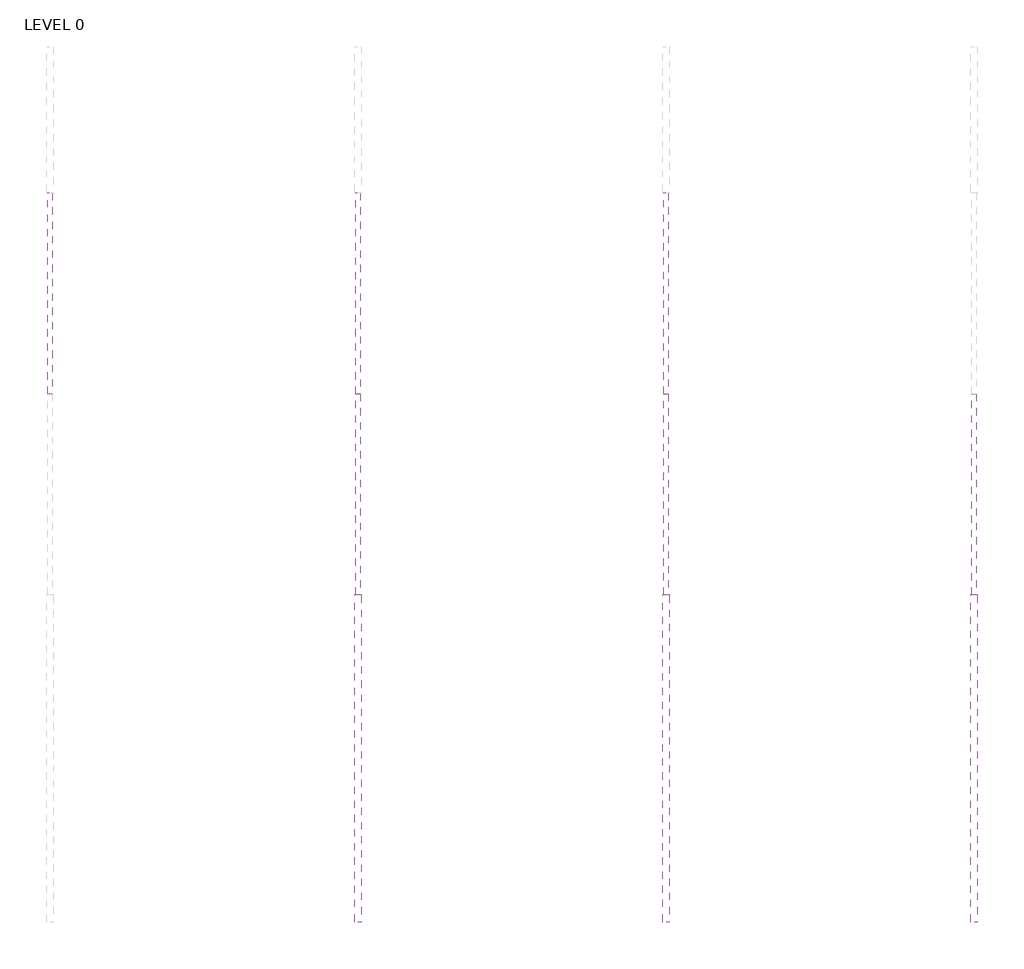
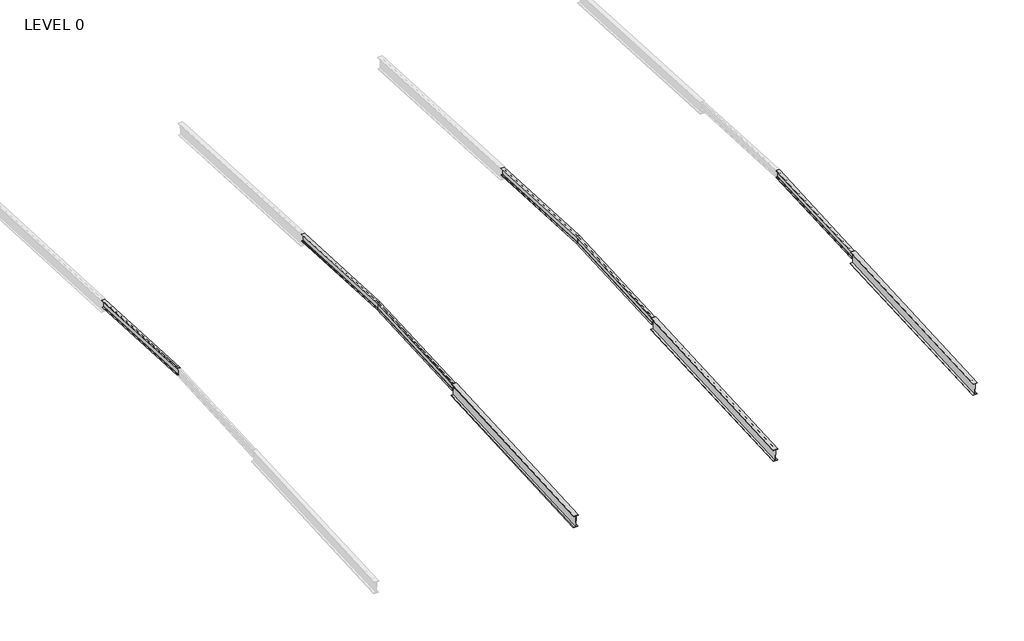
# One storey, part 9 of 11: 9 beams.
"""IFC4 building model written with IfcOpenShell, lengths in millimetres."""

from ifc_helpers import new_model, si_unit, frame, origin, place, context, project, spatial, polyline, circle_curve, ellipse_curve, outline, extrude, element, save
from ifc_brep_helpers import plane_surface, revolved_surface, advanced_brep

model = new_model("IFC4")

# Units and contexts
model_context = context("Model", 3, world=origin())
ifc_project = project(units=[si_unit("LENGTHUNIT", "METRE", prefix="MILLI")], contexts=[model_context])

# Site, building, storey
site = spatial("IfcSite", under=ifc_project)
building = spatial("IfcBuilding", under=site)
storey = spatial("IfcBuildingStorey", under=building, Name="LEVEL 0", Elevation=0.0)

# Beams
placement = place(None, origin())
element("IfcBeam", 1, ObjectType="R11-410UB53.7", at=placement, inside=storey, context=model_context, shape_type="AdvancedBrep", body=[
    advanced_brep(
    [(-104630.0885398, 51070.0, 61105.8171698), (-104630.0885398, 58439.7408844, 60719.5854162), (-104641.4885398, 58439.1442545, 60708.2010395), (-104641.4885398, 51070.0, 61094.4015251), (-104630.0885398, 51070.0, 61464.3084697), (-104630.0885398, 58458.4771568, 61077.0947896), (-104641.4885398, 51070.0, 61475.7241144), (-104641.4885398, 58459.0737867, 61088.4791663), (-104715.2885398, 51070.0, 61475.7241144), (-104715.2885398, 58459.0737867, 61088.4791663), (-104715.2885398, 51070.0, 61486.639073), (-104715.2885398, 58459.6442486, 61099.3642282), (-104537.2885398, 51070.0, 61486.639073), (-104537.2885398, 58459.6442486, 61099.3642282), (-104537.2885398, 51070.0, 61475.7241144), (-104537.2885398, 58459.0737867, 61088.4791663), (-104715.2885398, 58439.1442545, 60708.2010395), (-104611.0885398, 58459.0737867, 61088.4791663), (-104622.4885398, 58458.4771568, 61077.0947896), (-104622.4885398, 58439.7408844, 60719.5854162), (-104611.0885398, 58439.1442545, 60708.2010395), (-104537.2885398, 58439.1442545, 60708.2010395), (-104537.2885398, 58438.5737926, 60697.3159776), (-104715.2885398, 58438.5737926, 60697.3159776), (-104715.2885398, 51070.0, 61094.4015251), (-104611.0885398, 51070.0, 61475.7241144), (-104622.4885398, 51070.0, 61464.3084697), (-104622.4885398, 51070.0, 61105.8171698), (-104611.0885398, 51070.0, 61094.4015251), (-104537.2885398, 51070.0, 61094.4015251), (-104537.2885398, 51070.0, 61083.4865665), (-104715.2885398, 51070.0, 61083.4865665)],
    [
        (0, 1),
        (1, 2, circle_curve(frame((-104641.4885398, 58439.7408844, 60719.5854162), z_axis=(0.0, 0.9986295347545777, -0.05233595624287165), x_axis=(1.0, 0.0, 0.0)), 11.4)),
        (2, 3),
        (3, 0, ellipse_curve(frame((-104641.4885398, 51070.0, 61105.8171698), z_axis=(0.0, -1.0, 0.0), x_axis=(0.0, 0.0, -1.0)), 11.4156447, 11.4)),
        (4, 5),
        (5, 1),
        (0, 4),
        (6, 7),
        (7, 5, circle_curve(frame((-104641.4885398, 58458.4771568, 61077.0947896), z_axis=(0.0, 0.9986295347545777, -0.05233595624287165), x_axis=(1.0, 0.0, 0.0)), 11.4)),
        (4, 6, ellipse_curve(frame((-104641.4885398, 51070.0, 61464.3084697), z_axis=(0.0, -1.0, 0.0), x_axis=(0.0, 0.0, -1.0)), 11.4156447, 11.4)),
        (8, 9),
        (9, 7),
        (6, 8),
        (10, 11),
        (11, 9),
        (8, 10),
        (12, 13),
        (13, 11),
        (10, 12),
        (14, 15),
        (15, 13),
        (12, 14),
        (16, 2),
        (15, 17),
        (17, 18, circle_curve(frame((-104611.0885398, 58458.4771568, 61077.0947896), z_axis=(0.0, -0.9986295347545777, 0.05233595624287165), x_axis=(1.0, 0.0, 0.0)), 11.4)),
        (18, 19),
        (19, 20, circle_curve(frame((-104611.0885398, 58439.7408844, 60719.5854162), z_axis=(0.0, -0.9986295347545777, 0.05233595624287165), x_axis=(1.0, 0.0, 0.0)), 11.4)),
        (20, 21),
        (21, 22),
        (22, 23),
        (23, 16),
        (16, 24),
        (24, 3),
        (25, 17),
        (14, 25),
        (26, 18),
        (25, 26, ellipse_curve(frame((-104611.0885398, 51070.0, 61464.3084697), z_axis=(0.0, -1.0, 0.0), x_axis=(0.0, 0.0, -1.0)), 11.4156447, 11.4)),
        (27, 19),
        (26, 27),
        (28, 20),
        (27, 28, ellipse_curve(frame((-104611.0885398, 51070.0, 61105.8171698), z_axis=(0.0, -1.0, 0.0), x_axis=(0.0, 0.0, -1.0)), 11.4156447, 11.4)),
        (29, 21),
        (28, 29),
        (30, 22),
        (29, 30),
        (31, 23),
        (30, 31),
        (31, 24),
    ],
    [
        revolved_surface(polyline([(-104630.08853980001, 58439.74088439836, 60719.585416142516), (-104630.08853980001, 51069.40337010035, 61105.84843783283)]), (-104641.4885398, 51119.7863947, 61103.2079754), (0.0, 0.9986295347545777, -0.05233595624287165)),
        plane_surface(frame((-104630.0885398, 51119.7863947, 61103.2079754), z_axis=(-1.0, 0.0, 0.0), x_axis=(0.0, 0.9986295347545777, -0.05233595624287165))),
        revolved_surface(polyline([(-104630.08853980001, 58458.47715680194, 61077.09478963708), (-104630.08853980001, 51069.40337010157, 61464.33973775605)]), (-104641.4885398, 51138.522667, 61460.7173489), (0.0, 0.9986295347545777, -0.05233595624287165)),
        plane_surface(frame((-104641.4885398, 51139.1192969, 61472.1017256), z_axis=(0.0, -0.05233595624287165, -0.9986295347545777), x_axis=(0.0, 0.9986295347545777, -0.05233595624287165))),
        plane_surface(frame((-104715.2885398, 51139.1192969, 61472.1017256), z_axis=(-1.0, 0.0, 0.0), x_axis=(0.0, 0.9986295347545777, -0.05233595624287165))),
        plane_surface(frame((-104715.2885398, 51139.6897588, 61482.9867875), z_axis=(0.0, 0.05233595624287165, 0.9986295347545777), x_axis=(0.0, 0.9986295347545777, -0.05233595624287165))),
        plane_surface(frame((-104537.2885398, 51139.6897588, 61482.9867875), z_axis=(1.0, 0.0, 0.0), x_axis=(0.0, 0.9986295347545777, -0.05233595624287165))),
        plane_surface(frame((-104626.2885398, 58449.1090206, 60898.3401029), z_axis=(0.0, 0.9986295347545777, -0.05233595624287208), x_axis=(0.0, 0.05233595624287208, 0.9986295347545777))),
        plane_surface(frame((-104715.2885398, 51119.1897648, 61091.8235987), z_axis=(0.0, 0.05233595624287165, 0.9986295347545777), x_axis=(0.0, 0.9986295347545777, -0.05233595624287165))),
        plane_surface(frame((-104537.2885398, 51139.1192969, 61472.1017256), z_axis=(0.0, -0.05233595624287165, -0.9986295347545777), x_axis=(0.0, 0.9986295347545777, -0.05233595624287165))),
        revolved_surface(polyline([(-104599.6885398, 58458.47715680194, 61077.09478963708), (-104599.6885398, 51069.40337010157, 61464.33973775605)]), (-104611.0885398, 51138.522667, 61460.7173489), (0.0, 0.9986295347545777, -0.05233595624287165)),
        plane_surface(frame((-104622.4885398, 51138.522667, 61460.7173489), z_axis=(1.0, 0.0, 0.0), x_axis=(0.0, 0.9986295347545777, -0.05233595624287165))),
        revolved_surface(polyline([(-104599.6885398, 58439.74088439836, 60719.585416142516), (-104599.6885398, 51069.40337010035, 61105.84843783283)]), (-104611.0885398, 51119.7863947, 61103.2079754), (0.0, 0.9986295347545777, -0.05233595624287165)),
        plane_surface(frame((-104611.0885398, 51119.1897648, 61091.8235987), z_axis=(0.0, 0.05233595624287165, 0.9986295347545777), x_axis=(0.0, 0.9986295347545777, -0.05233595624287165))),
        plane_surface(frame((-104537.2885398, 51119.1897648, 61091.8235987), z_axis=(1.0, 0.0, 0.0), x_axis=(0.0, 0.9986295347545777, -0.05233595624287165))),
        plane_surface(frame((-104537.2885398, 51118.6193029, 61080.9385368), z_axis=(0.0, -0.05233595624287165, -0.9986295347545777), x_axis=(0.0, 0.9986295347545777, -0.05233595624287165))),
        plane_surface(frame((-104715.2885398, 51118.6193029, 61080.9385368), z_axis=(-1.0, 0.0, 0.0), x_axis=(0.0, 0.9986295347545777, -0.05233595624287165))),
        plane_surface(frame((-104626.2885398, 51070.0, 61083.4865665), z_axis=(0.0, -1.0, 0.0), x_axis=(0.0, 0.0, 1.0))),
    ],
    [
        (0, [[1, 2, 3, 4]]),
        (1, [[5, 6, -1, 7]]),
        (2, [[8, 9, -5, 10]]),
        (3, [[11, 12, -8, 13]]),
        (4, [[14, 15, -11, 16]]),
        (5, [[17, 18, -14, 19]]),
        (6, [[20, 21, -17, 22]]),
        (7, [[23, -2, -6, -9, -12, -15, -18, -21, 24, 25, 26, 27, 28, 29, 30, 31]]),
        (8, [[-3, -23, 32, 33]]),
        (9, [[34, -24, -20, 35]]),
        (10, [[36, -25, -34, 37]]),
        (11, [[38, -26, -36, 39]]),
        (12, [[40, -27, -38, 41]]),
        (13, [[42, -28, -40, 43]]),
        (14, [[44, -29, -42, 45]]),
        (15, [[46, -30, -44, 47]]),
        (16, [[-32, -31, -46, 48]]),
        (17, [[-48, -47, -45, -43, -41, -39, -37, -35, -22, -19, -16, -13, -10, -7, -4, -33]]),
    ],
),
])
element("IfcBeam", 2, ObjectType="R11-410UB53.7", at=placement, inside=storey, context=model_context, shape_type="AdvancedBrep", body=[
    advanced_brep(
    [(-93330.0885398, 51070.0, 61105.8171698), (-93341.4885398, 51070.0, 61094.4015251), (-93341.4885398, 43700.7118633, 60708.1934989), (-93330.0885398, 43700.1152334, 60719.5778756), (-93330.0885398, 51070.0, 61464.3084697), (-93330.0885398, 43681.3789611, 61077.0872491), (-93341.4885398, 51070.0, 61475.7241144), (-93341.4885398, 43680.7823312, 61088.4716258), (-93415.2885398, 51070.0, 61475.7241144), (-93415.2885398, 43680.7823312, 61088.4716258), (-93415.2885398, 51070.0, 61486.639073), (-93415.2885398, 43680.2118693, 61099.3566877), (-93237.2885398, 51070.0, 61486.639073), (-93237.2885398, 43680.2118693, 61099.3566877), (-93237.2885398, 51070.0, 61475.7241144), (-93237.2885398, 43680.7823312, 61088.4716258), (-93415.2885398, 43700.7118633, 60708.1934989), (-93415.2885398, 43701.2823253, 60697.308437), (-93237.2885398, 43701.2823253, 60697.308437), (-93237.2885398, 43700.7118633, 60708.1934989), (-93311.0885398, 43700.7118633, 60708.1934989), (-93322.4885398, 43700.1152334, 60719.5778756), (-93322.4885398, 43681.3789611, 61077.0872491), (-93311.0885398, 43680.7823312, 61088.4716258), (-93415.2885398, 51070.0, 61094.4015251), (-93311.0885398, 51070.0, 61475.7241144), (-93322.4885398, 51070.0, 61464.3084697), (-93322.4885398, 51070.0, 61105.8171698), (-93311.0885398, 51070.0, 61094.4015251), (-93237.2885398, 51070.0, 61094.4015251), (-93237.2885398, 51070.0, 61083.4865665), (-93415.2885398, 51070.0, 61083.4865665)],
    [
        (0, 1, ellipse_curve(frame((-93341.4885398, 51070.0, 61105.8171698), z_axis=(0.0, 1.0, 0.0), x_axis=(0.0, 0.0, -1.0)), 11.4156447, 11.4)),
        (1, 2),
        (2, 3, circle_curve(frame((-93341.4885398, 43700.1152334, 60719.5778756), z_axis=(0.0, -0.9986295347545777, -0.052335956242871705), x_axis=(1.0, 0.0, 0.0)), 11.4)),
        (3, 0),
        (4, 0),
        (3, 5),
        (5, 4),
        (6, 4, ellipse_curve(frame((-93341.4885398, 51070.0, 61464.3084697), z_axis=(0.0, 1.0, 0.0), x_axis=(0.0, 0.0, -1.0)), 11.4156447, 11.4)),
        (5, 7, circle_curve(frame((-93341.4885398, 43681.3789611, 61077.0872491), z_axis=(0.0, -0.9986295347545777, -0.052335956242871705), x_axis=(1.0, 0.0, 0.0)), 11.4)),
        (7, 6),
        (8, 6),
        (7, 9),
        (9, 8),
        (10, 8),
        (9, 11),
        (11, 10),
        (12, 10),
        (11, 13),
        (13, 12),
        (14, 12),
        (13, 15),
        (15, 14),
        (16, 17),
        (17, 18),
        (18, 19),
        (19, 20),
        (20, 21, circle_curve(frame((-93311.0885398, 43700.1152334, 60719.5778756), z_axis=(0.0, 0.9986295347545777, 0.052335956242871705), x_axis=(1.0, 0.0, 0.0)), 11.4)),
        (21, 22),
        (22, 23, circle_curve(frame((-93311.0885398, 43681.3789611, 61077.0872491), z_axis=(0.0, 0.9986295347545777, 0.052335956242871705), x_axis=(1.0, 0.0, 0.0)), 11.4)),
        (23, 15),
        (2, 16),
        (1, 24),
        (24, 16),
        (25, 14),
        (23, 25),
        (26, 25, ellipse_curve(frame((-93311.0885398, 51070.0, 61464.3084697), z_axis=(0.0, 1.0, 0.0), x_axis=(0.0, 0.0, -1.0)), 11.4156447, 11.4)),
        (22, 26),
        (27, 26),
        (21, 27),
        (28, 27, ellipse_curve(frame((-93311.0885398, 51070.0, 61105.8171698), z_axis=(0.0, 1.0, 0.0), x_axis=(0.0, 0.0, -1.0)), 11.4156447, 11.4)),
        (20, 28),
        (29, 28),
        (19, 29),
        (30, 29),
        (18, 30),
        (31, 30),
        (17, 31),
        (24, 31),
    ],
    [
        revolved_surface(polyline([(-93330.08853980001, 43700.11523339669, 60719.57787563701), (-93330.08853980001, 51070.59662989749, 61105.848437874054)]), (-93341.4885398, 51020.0697232, 61103.2004349), (0.0, -0.9986295347545777, -0.052335956242871705)),
        plane_surface(frame((-93330.0885398, 51020.0697232, 61103.2004349), z_axis=(-1.0, 0.0, 0.0), x_axis=(0.0, -0.9986295347545777, -0.052335956242871705))),
        revolved_surface(polyline([(-93330.08853980001, 43681.378961103284, 61077.08724903736), (-93330.08853980001, 51070.5966299015, 61464.33973769755)]), (-93341.4885398, 51001.3334509, 61460.7098083), (0.0, -0.9986295347545777, -0.052335956242871705)),
        plane_surface(frame((-93341.4885398, 51000.736821, 61472.094185), z_axis=(0.0, 0.052335956242871705, -0.9986295347545777), x_axis=(0.0, -0.9986295347545777, -0.052335956242871705))),
        plane_surface(frame((-93415.2885398, 51000.736821, 61472.094185), z_axis=(-1.0, 0.0, 0.0), x_axis=(0.0, -0.9986295347545777, -0.052335956242871705))),
        plane_surface(frame((-93415.2885398, 51000.166359, 61482.979247), z_axis=(0.0, -0.052335956242871705, 0.9986295347545777), x_axis=(0.0, -0.9986295347545777, -0.052335956242871705))),
        plane_surface(frame((-93237.2885398, 51000.166359, 61482.979247), z_axis=(1.0, 0.0, 0.0), x_axis=(0.0, -0.9986295347545777, -0.052335956242871705))),
        plane_surface(frame((-93326.2885398, 43690.7470973, 60898.3325624), z_axis=(0.0, -0.9986295347545777, -0.052335956242871705), x_axis=(0.0, -0.052335956242871705, 0.9986295347545777))),
        plane_surface(frame((-93415.2885398, 51020.6663531, 61091.8160582), z_axis=(0.0, -0.052335956242871705, 0.9986295347545777), x_axis=(0.0, -0.9986295347545777, -0.052335956242871705))),
        plane_surface(frame((-93237.2885398, 51000.736821, 61472.094185), z_axis=(0.0, 0.052335956242871705, -0.9986295347545777), x_axis=(0.0, -0.9986295347545777, -0.052335956242871705))),
        revolved_surface(polyline([(-93299.6885398, 43681.378961103284, 61077.08724903736), (-93299.6885398, 51070.5966299015, 61464.33973769755)]), (-93311.0885398, 51001.3334509, 61460.7098083), (0.0, -0.9986295347545777, -0.052335956242871705)),
        plane_surface(frame((-93322.4885398, 51001.3334509, 61460.7098083), z_axis=(1.0, 0.0, 0.0), x_axis=(0.0, -0.9986295347545777, -0.052335956242871705))),
        revolved_surface(polyline([(-93299.6885398, 43700.11523339669, 60719.57787563701), (-93299.6885398, 51070.59662989749, 61105.848437874054)]), (-93311.0885398, 51020.0697232, 61103.2004349), (0.0, -0.9986295347545777, -0.052335956242871705)),
        plane_surface(frame((-93311.0885398, 51020.6663531, 61091.8160582), z_axis=(0.0, -0.052335956242871705, 0.9986295347545777), x_axis=(0.0, -0.9986295347545777, -0.052335956242871705))),
        plane_surface(frame((-93237.2885398, 51020.6663531, 61091.8160582), z_axis=(1.0, 0.0, 0.0), x_axis=(0.0, -0.9986295347545777, -0.052335956242871705))),
        plane_surface(frame((-93237.2885398, 51021.236815, 61080.9309963), z_axis=(0.0, 0.052335956242871705, -0.9986295347545777), x_axis=(0.0, -0.9986295347545777, -0.052335956242871705))),
        plane_surface(frame((-93415.2885398, 51021.236815, 61080.9309963), z_axis=(-1.0, 0.0, 0.0), x_axis=(0.0, -0.9986295347545777, -0.052335956242871705))),
        plane_surface(frame((-93326.2885398, 51070.0, 61083.4865665), z_axis=(0.0, 1.0, 0.0), x_axis=(0.0, 0.0, -1.0))),
    ],
    [
        (0, [[1, 2, 3, 4]]),
        (1, [[5, -4, 6, 7]]),
        (2, [[8, -7, 9, 10]]),
        (3, [[11, -10, 12, 13]]),
        (4, [[14, -13, 15, 16]]),
        (5, [[17, -16, 18, 19]]),
        (6, [[20, -19, 21, 22]]),
        (7, [[23, 24, 25, 26, 27, 28, 29, 30, -21, -18, -15, -12, -9, -6, -3, 31]]),
        (8, [[32, 33, -31, -2]]),
        (9, [[34, -22, -30, 35]]),
        (10, [[36, -35, -29, 37]]),
        (11, [[38, -37, -28, 39]]),
        (12, [[40, -39, -27, 41]]),
        (13, [[42, -41, -26, 43]]),
        (14, [[44, -43, -25, 45]]),
        (15, [[46, -45, -24, 47]]),
        (16, [[48, -47, -23, -33]]),
        (17, [[-32, -1, -5, -8, -11, -14, -17, -20, -34, -36, -38, -40, -42, -44, -46, -48]]),
    ],
),
])
element("IfcBeam", 3, ObjectType="R11-410UB53.7", at=placement, inside=storey, context=model_context, shape_type="AdvancedBrep", body=[
    advanced_brep(
    [(-93330.0885398, 51070.0, 61105.8171698), (-93330.0885398, 58439.7408844, 60719.5854162), (-93341.4885398, 58439.1442545, 60708.2010395), (-93341.4885398, 51070.0, 61094.4015251), (-93330.0885398, 51070.0, 61464.3084697), (-93330.0885398, 58458.4771568, 61077.0947896), (-93341.4885398, 51070.0, 61475.7241144), (-93341.4885398, 58459.0737867, 61088.4791663), (-93415.2885398, 51070.0, 61475.7241144), (-93415.2885398, 58459.0737867, 61088.4791663), (-93415.2885398, 51070.0, 61486.639073), (-93415.2885398, 58459.6442486, 61099.3642282), (-93237.2885398, 51070.0, 61486.639073), (-93237.2885398, 58459.6442486, 61099.3642282), (-93237.2885398, 51070.0, 61475.7241144), (-93237.2885398, 58459.0737867, 61088.4791663), (-93415.2885398, 58439.1442545, 60708.2010395), (-93311.0885398, 58459.0737867, 61088.4791663), (-93322.4885398, 58458.4771568, 61077.0947896), (-93322.4885398, 58439.7408844, 60719.5854162), (-93311.0885398, 58439.1442545, 60708.2010395), (-93237.2885398, 58439.1442545, 60708.2010395), (-93237.2885398, 58438.5737926, 60697.3159776), (-93415.2885398, 58438.5737926, 60697.3159776), (-93415.2885398, 51070.0, 61094.4015251), (-93311.0885398, 51070.0, 61475.7241144), (-93322.4885398, 51070.0, 61464.3084697), (-93322.4885398, 51070.0, 61105.8171698), (-93311.0885398, 51070.0, 61094.4015251), (-93237.2885398, 51070.0, 61094.4015251), (-93237.2885398, 51070.0, 61083.4865665), (-93415.2885398, 51070.0, 61083.4865665)],
    [
        (0, 1),
        (1, 2, circle_curve(frame((-93341.4885398, 58439.7408844, 60719.5854162), z_axis=(0.0, 0.9986295347545777, -0.05233595624287165), x_axis=(1.0, 0.0, 0.0)), 11.4)),
        (2, 3),
        (3, 0, ellipse_curve(frame((-93341.4885398, 51070.0, 61105.8171698), z_axis=(0.0, -1.0, 0.0), x_axis=(0.0, 0.0, -1.0)), 11.4156447, 11.4)),
        (4, 5),
        (5, 1),
        (0, 4),
        (6, 7),
        (7, 5, circle_curve(frame((-93341.4885398, 58458.4771568, 61077.0947896), z_axis=(0.0, 0.9986295347545777, -0.05233595624287165), x_axis=(1.0, 0.0, 0.0)), 11.4)),
        (4, 6, ellipse_curve(frame((-93341.4885398, 51070.0, 61464.3084697), z_axis=(0.0, -1.0, 0.0), x_axis=(0.0, 0.0, -1.0)), 11.4156447, 11.4)),
        (8, 9),
        (9, 7),
        (6, 8),
        (10, 11),
        (11, 9),
        (8, 10),
        (12, 13),
        (13, 11),
        (10, 12),
        (14, 15),
        (15, 13),
        (12, 14),
        (16, 2),
        (15, 17),
        (17, 18, circle_curve(frame((-93311.0885398, 58458.4771568, 61077.0947896), z_axis=(0.0, -0.9986295347545777, 0.05233595624287165), x_axis=(1.0, 0.0, 0.0)), 11.4)),
        (18, 19),
        (19, 20, circle_curve(frame((-93311.0885398, 58439.7408844, 60719.5854162), z_axis=(0.0, -0.9986295347545777, 0.05233595624287165), x_axis=(1.0, 0.0, 0.0)), 11.4)),
        (20, 21),
        (21, 22),
        (22, 23),
        (23, 16),
        (16, 24),
        (24, 3),
        (25, 17),
        (14, 25),
        (26, 18),
        (25, 26, ellipse_curve(frame((-93311.0885398, 51070.0, 61464.3084697), z_axis=(0.0, -1.0, 0.0), x_axis=(0.0, 0.0, -1.0)), 11.4156447, 11.4)),
        (27, 19),
        (26, 27),
        (28, 20),
        (27, 28, ellipse_curve(frame((-93311.0885398, 51070.0, 61105.8171698), z_axis=(0.0, -1.0, 0.0), x_axis=(0.0, 0.0, -1.0)), 11.4156447, 11.4)),
        (29, 21),
        (28, 29),
        (30, 22),
        (29, 30),
        (31, 23),
        (30, 31),
        (31, 24),
    ],
    [
        revolved_surface(polyline([(-93330.08853980001, 58439.74088439836, 60719.585416142516), (-93330.08853980001, 51069.40337010035, 61105.84843783283)]), (-93341.4885398, 51119.7863947, 61103.2079754), (0.0, 0.9986295347545777, -0.05233595624287165)),
        plane_surface(frame((-93330.0885398, 51119.7863947, 61103.2079754), z_axis=(-1.0, 0.0, 0.0), x_axis=(0.0, 0.9986295347545777, -0.05233595624287165))),
        revolved_surface(polyline([(-93330.08853980001, 58458.47715680194, 61077.09478963708), (-93330.08853980001, 51069.40337010157, 61464.33973775605)]), (-93341.4885398, 51138.522667, 61460.7173489), (0.0, 0.9986295347545777, -0.05233595624287165)),
        plane_surface(frame((-93341.4885398, 51139.1192969, 61472.1017256), z_axis=(0.0, -0.05233595624287165, -0.9986295347545777), x_axis=(0.0, 0.9986295347545777, -0.05233595624287165))),
        plane_surface(frame((-93415.2885398, 51139.1192969, 61472.1017256), z_axis=(-1.0, 0.0, 0.0), x_axis=(0.0, 0.9986295347545777, -0.05233595624287165))),
        plane_surface(frame((-93415.2885398, 51139.6897588, 61482.9867875), z_axis=(0.0, 0.05233595624287165, 0.9986295347545777), x_axis=(0.0, 0.9986295347545777, -0.05233595624287165))),
        plane_surface(frame((-93237.2885398, 51139.6897588, 61482.9867875), z_axis=(1.0, 0.0, 0.0), x_axis=(0.0, 0.9986295347545777, -0.05233595624287165))),
        plane_surface(frame((-93326.2885398, 58449.1090206, 60898.3401029), z_axis=(0.0, 0.9986295347545777, -0.05233595624287208), x_axis=(0.0, 0.05233595624287208, 0.9986295347545777))),
        plane_surface(frame((-93415.2885398, 51119.1897648, 61091.8235987), z_axis=(0.0, 0.05233595624287165, 0.9986295347545777), x_axis=(0.0, 0.9986295347545777, -0.05233595624287165))),
        plane_surface(frame((-93237.2885398, 51139.1192969, 61472.1017256), z_axis=(0.0, -0.05233595624287165, -0.9986295347545777), x_axis=(0.0, 0.9986295347545777, -0.05233595624287165))),
        revolved_surface(polyline([(-93299.6885398, 58458.47715680194, 61077.09478963708), (-93299.6885398, 51069.40337010157, 61464.33973775605)]), (-93311.0885398, 51138.522667, 61460.7173489), (0.0, 0.9986295347545777, -0.05233595624287165)),
        plane_surface(frame((-93322.4885398, 51138.522667, 61460.7173489), z_axis=(1.0, 0.0, 0.0), x_axis=(0.0, 0.9986295347545777, -0.05233595624287165))),
        revolved_surface(polyline([(-93299.6885398, 58439.74088439836, 60719.585416142516), (-93299.6885398, 51069.40337010035, 61105.84843783283)]), (-93311.0885398, 51119.7863947, 61103.2079754), (0.0, 0.9986295347545777, -0.05233595624287165)),
        plane_surface(frame((-93311.0885398, 51119.1897648, 61091.8235987), z_axis=(0.0, 0.05233595624287165, 0.9986295347545777), x_axis=(0.0, 0.9986295347545777, -0.05233595624287165))),
        plane_surface(frame((-93237.2885398, 51119.1897648, 61091.8235987), z_axis=(1.0, 0.0, 0.0), x_axis=(0.0, 0.9986295347545777, -0.05233595624287165))),
        plane_surface(frame((-93237.2885398, 51118.6193029, 61080.9385368), z_axis=(0.0, -0.05233595624287165, -0.9986295347545777), x_axis=(0.0, 0.9986295347545777, -0.05233595624287165))),
        plane_surface(frame((-93415.2885398, 51118.6193029, 61080.9385368), z_axis=(-1.0, 0.0, 0.0), x_axis=(0.0, 0.9986295347545777, -0.05233595624287165))),
        plane_surface(frame((-93326.2885398, 51070.0, 61083.4865665), z_axis=(0.0, -1.0, 0.0), x_axis=(0.0, 0.0, 1.0))),
    ],
    [
        (0, [[1, 2, 3, 4]]),
        (1, [[5, 6, -1, 7]]),
        (2, [[8, 9, -5, 10]]),
        (3, [[11, 12, -8, 13]]),
        (4, [[14, 15, -11, 16]]),
        (5, [[17, 18, -14, 19]]),
        (6, [[20, 21, -17, 22]]),
        (7, [[23, -2, -6, -9, -12, -15, -18, -21, 24, 25, 26, 27, 28, 29, 30, 31]]),
        (8, [[-3, -23, 32, 33]]),
        (9, [[34, -24, -20, 35]]),
        (10, [[36, -25, -34, 37]]),
        (11, [[38, -26, -36, 39]]),
        (12, [[40, -27, -38, 41]]),
        (13, [[42, -28, -40, 43]]),
        (14, [[44, -29, -42, 45]]),
        (15, [[46, -30, -44, 47]]),
        (16, [[-32, -31, -46, 48]]),
        (17, [[-48, -47, -45, -43, -41, -39, -37, -35, -22, -19, -16, -13, -10, -7, -4, -33]]),
    ],
),
])
element("IfcBeam", 4, ObjectType="R11-410UB53.7", at=placement, inside=storey, context=model_context, shape_type="AdvancedBrep", body=[
    advanced_brep(
    [(-82030.0885398, 51070.0, 61105.8171698), (-82041.4885398, 51070.0, 61094.4015251), (-82041.4885398, 43700.7118633, 60708.1934989), (-82030.0885398, 43700.1152334, 60719.5778756), (-82030.0885398, 51070.0, 61464.3084697), (-82030.0885398, 43681.3789611, 61077.0872491), (-82041.4885398, 51070.0, 61475.7241144), (-82041.4885398, 43680.7823312, 61088.4716258), (-82115.2885398, 51070.0, 61475.7241144), (-82115.2885398, 43680.7823312, 61088.4716258), (-82115.2885398, 51070.0, 61486.639073), (-82115.2885398, 43680.2118693, 61099.3566877), (-81937.2885398, 51070.0, 61486.639073), (-81937.2885398, 43680.2118693, 61099.3566877), (-81937.2885398, 51070.0, 61475.7241144), (-81937.2885398, 43680.7823312, 61088.4716258), (-82115.2885398, 43700.7118633, 60708.1934989), (-82115.2885398, 43701.2823253, 60697.308437), (-81937.2885398, 43701.2823253, 60697.308437), (-81937.2885398, 43700.7118633, 60708.1934989), (-82011.0885398, 43700.7118633, 60708.1934989), (-82022.4885398, 43700.1152334, 60719.5778756), (-82022.4885398, 43681.3789611, 61077.0872491), (-82011.0885398, 43680.7823312, 61088.4716258), (-82115.2885398, 51070.0, 61094.4015251), (-82011.0885398, 51070.0, 61475.7241144), (-82022.4885398, 51070.0, 61464.3084697), (-82022.4885398, 51070.0, 61105.8171698), (-82011.0885398, 51070.0, 61094.4015251), (-81937.2885398, 51070.0, 61094.4015251), (-81937.2885398, 51070.0, 61083.4865665), (-82115.2885398, 51070.0, 61083.4865665)],
    [
        (0, 1, ellipse_curve(frame((-82041.4885398, 51070.0, 61105.8171698), z_axis=(0.0, 1.0, 0.0), x_axis=(0.0, 0.0, -1.0)), 11.4156447, 11.4)),
        (1, 2),
        (2, 3, circle_curve(frame((-82041.4885398, 43700.1152334, 60719.5778756), z_axis=(0.0, -0.9986295347545777, -0.052335956242871705), x_axis=(1.0, 0.0, 0.0)), 11.4)),
        (3, 0),
        (4, 0),
        (3, 5),
        (5, 4),
        (6, 4, ellipse_curve(frame((-82041.4885398, 51070.0, 61464.3084697), z_axis=(0.0, 1.0, 0.0), x_axis=(0.0, 0.0, -1.0)), 11.4156447, 11.4)),
        (5, 7, circle_curve(frame((-82041.4885398, 43681.3789611, 61077.0872491), z_axis=(0.0, -0.9986295347545777, -0.052335956242871705), x_axis=(1.0, 0.0, 0.0)), 11.4)),
        (7, 6),
        (8, 6),
        (7, 9),
        (9, 8),
        (10, 8),
        (9, 11),
        (11, 10),
        (12, 10),
        (11, 13),
        (13, 12),
        (14, 12),
        (13, 15),
        (15, 14),
        (16, 17),
        (17, 18),
        (18, 19),
        (19, 20),
        (20, 21, circle_curve(frame((-82011.0885398, 43700.1152334, 60719.5778756), z_axis=(0.0, 0.9986295347545777, 0.052335956242871705), x_axis=(1.0, 0.0, 0.0)), 11.4)),
        (21, 22),
        (22, 23, circle_curve(frame((-82011.0885398, 43681.3789611, 61077.0872491), z_axis=(0.0, 0.9986295347545777, 0.052335956242871705), x_axis=(1.0, 0.0, 0.0)), 11.4)),
        (23, 15),
        (2, 16),
        (1, 24),
        (24, 16),
        (25, 14),
        (23, 25),
        (26, 25, ellipse_curve(frame((-82011.0885398, 51070.0, 61464.3084697), z_axis=(0.0, 1.0, 0.0), x_axis=(0.0, 0.0, -1.0)), 11.4156447, 11.4)),
        (22, 26),
        (27, 26),
        (21, 27),
        (28, 27, ellipse_curve(frame((-82011.0885398, 51070.0, 61105.8171698), z_axis=(0.0, 1.0, 0.0), x_axis=(0.0, 0.0, -1.0)), 11.4156447, 11.4)),
        (20, 28),
        (29, 28),
        (19, 29),
        (30, 29),
        (18, 30),
        (31, 30),
        (17, 31),
        (24, 31),
    ],
    [
        revolved_surface(polyline([(-82030.08853980001, 43700.11523339669, 60719.57787563701), (-82030.08853980001, 51070.59662989749, 61105.848437874054)]), (-82041.4885398, 51020.0697232, 61103.2004349), (0.0, -0.9986295347545777, -0.052335956242871705)),
        plane_surface(frame((-82030.0885398, 51020.0697232, 61103.2004349), z_axis=(-1.0, 0.0, 0.0), x_axis=(0.0, -0.9986295347545777, -0.052335956242871705))),
        revolved_surface(polyline([(-82030.08853980001, 43681.378961103284, 61077.08724903736), (-82030.08853980001, 51070.5966299015, 61464.33973769755)]), (-82041.4885398, 51001.3334509, 61460.7098083), (0.0, -0.9986295347545777, -0.052335956242871705)),
        plane_surface(frame((-82041.4885398, 51000.736821, 61472.094185), z_axis=(0.0, 0.052335956242871705, -0.9986295347545777), x_axis=(0.0, -0.9986295347545777, -0.052335956242871705))),
        plane_surface(frame((-82115.2885398, 51000.736821, 61472.094185), z_axis=(-1.0, 0.0, 0.0), x_axis=(0.0, -0.9986295347545777, -0.052335956242871705))),
        plane_surface(frame((-82115.2885398, 51000.166359, 61482.979247), z_axis=(0.0, -0.052335956242871705, 0.9986295347545777), x_axis=(0.0, -0.9986295347545777, -0.052335956242871705))),
        plane_surface(frame((-81937.2885398, 51000.166359, 61482.979247), z_axis=(1.0, 0.0, 0.0), x_axis=(0.0, -0.9986295347545777, -0.052335956242871705))),
        plane_surface(frame((-82026.2885398, 43690.7470973, 60898.3325624), z_axis=(0.0, -0.9986295347545777, -0.052335956242871705), x_axis=(0.0, -0.052335956242871705, 0.9986295347545777))),
        plane_surface(frame((-82115.2885398, 51020.6663531, 61091.8160582), z_axis=(0.0, -0.052335956242871705, 0.9986295347545777), x_axis=(0.0, -0.9986295347545777, -0.052335956242871705))),
        plane_surface(frame((-81937.2885398, 51000.736821, 61472.094185), z_axis=(0.0, 0.052335956242871705, -0.9986295347545777), x_axis=(0.0, -0.9986295347545777, -0.052335956242871705))),
        revolved_surface(polyline([(-81999.6885398, 43681.378961103284, 61077.08724903736), (-81999.6885398, 51070.5966299015, 61464.33973769755)]), (-82011.0885398, 51001.3334509, 61460.7098083), (0.0, -0.9986295347545777, -0.052335956242871705)),
        plane_surface(frame((-82022.4885398, 51001.3334509, 61460.7098083), z_axis=(1.0, 0.0, 0.0), x_axis=(0.0, -0.9986295347545777, -0.052335956242871705))),
        revolved_surface(polyline([(-81999.6885398, 43700.11523339669, 60719.57787563701), (-81999.6885398, 51070.59662989749, 61105.848437874054)]), (-82011.0885398, 51020.0697232, 61103.2004349), (0.0, -0.9986295347545777, -0.052335956242871705)),
        plane_surface(frame((-82011.0885398, 51020.6663531, 61091.8160582), z_axis=(0.0, -0.052335956242871705, 0.9986295347545777), x_axis=(0.0, -0.9986295347545777, -0.052335956242871705))),
        plane_surface(frame((-81937.2885398, 51020.6663531, 61091.8160582), z_axis=(1.0, 0.0, 0.0), x_axis=(0.0, -0.9986295347545777, -0.052335956242871705))),
        plane_surface(frame((-81937.2885398, 51021.236815, 61080.9309963), z_axis=(0.0, 0.052335956242871705, -0.9986295347545777), x_axis=(0.0, -0.9986295347545777, -0.052335956242871705))),
        plane_surface(frame((-82115.2885398, 51021.236815, 61080.9309963), z_axis=(-1.0, 0.0, 0.0), x_axis=(0.0, -0.9986295347545777, -0.052335956242871705))),
        plane_surface(frame((-82026.2885398, 51070.0, 61083.4865665), z_axis=(0.0, 1.0, 0.0), x_axis=(0.0, 0.0, -1.0))),
    ],
    [
        (0, [[1, 2, 3, 4]]),
        (1, [[5, -4, 6, 7]]),
        (2, [[8, -7, 9, 10]]),
        (3, [[11, -10, 12, 13]]),
        (4, [[14, -13, 15, 16]]),
        (5, [[17, -16, 18, 19]]),
        (6, [[20, -19, 21, 22]]),
        (7, [[23, 24, 25, 26, 27, 28, 29, 30, -21, -18, -15, -12, -9, -6, -3, 31]]),
        (8, [[32, 33, -31, -2]]),
        (9, [[34, -22, -30, 35]]),
        (10, [[36, -35, -29, 37]]),
        (11, [[38, -37, -28, 39]]),
        (12, [[40, -39, -27, 41]]),
        (13, [[42, -41, -26, 43]]),
        (14, [[44, -43, -25, 45]]),
        (15, [[46, -45, -24, 47]]),
        (16, [[48, -47, -23, -33]]),
        (17, [[-32, -1, -5, -8, -11, -14, -17, -20, -34, -36, -38, -40, -42, -44, -46, -48]]),
    ],
),
])
element("IfcBeam", 5, ObjectType="R11-410UB53.7", at=placement, inside=storey, context=model_context, shape_type="AdvancedBrep", body=[
    advanced_brep(
    [(-82030.0885398, 51070.0, 61105.8171698), (-82030.0885398, 58439.7408844, 60719.5854162), (-82041.4885398, 58439.1442545, 60708.2010395), (-82041.4885398, 51070.0, 61094.4015251), (-82030.0885398, 51070.0, 61464.3084697), (-82030.0885398, 58458.4771568, 61077.0947896), (-82041.4885398, 51070.0, 61475.7241144), (-82041.4885398, 58459.0737867, 61088.4791663), (-82115.2885398, 51070.0, 61475.7241144), (-82115.2885398, 58459.0737867, 61088.4791663), (-82115.2885398, 51070.0, 61486.639073), (-82115.2885398, 58459.6442486, 61099.3642282), (-81937.2885398, 51070.0, 61486.639073), (-81937.2885398, 58459.6442486, 61099.3642282), (-81937.2885398, 51070.0, 61475.7241144), (-81937.2885398, 58459.0737867, 61088.4791663), (-82115.2885398, 58439.1442545, 60708.2010395), (-82011.0885398, 58459.0737867, 61088.4791663), (-82022.4885398, 58458.4771568, 61077.0947896), (-82022.4885398, 58439.7408844, 60719.5854162), (-82011.0885398, 58439.1442545, 60708.2010395), (-81937.2885398, 58439.1442545, 60708.2010395), (-81937.2885398, 58438.5737926, 60697.3159776), (-82115.2885398, 58438.5737926, 60697.3159776), (-82115.2885398, 51070.0, 61094.4015251), (-82011.0885398, 51070.0, 61475.7241144), (-82022.4885398, 51070.0, 61464.3084697), (-82022.4885398, 51070.0, 61105.8171698), (-82011.0885398, 51070.0, 61094.4015251), (-81937.2885398, 51070.0, 61094.4015251), (-81937.2885398, 51070.0, 61083.4865665), (-82115.2885398, 51070.0, 61083.4865665)],
    [
        (0, 1),
        (1, 2, circle_curve(frame((-82041.4885398, 58439.7408844, 60719.5854162), z_axis=(0.0, 0.9986295347545777, -0.05233595624287165), x_axis=(1.0, 0.0, 0.0)), 11.4)),
        (2, 3),
        (3, 0, ellipse_curve(frame((-82041.4885398, 51070.0, 61105.8171698), z_axis=(0.0, -1.0, 0.0), x_axis=(0.0, 0.0, -1.0)), 11.4156447, 11.4)),
        (4, 5),
        (5, 1),
        (0, 4),
        (6, 7),
        (7, 5, circle_curve(frame((-82041.4885398, 58458.4771568, 61077.0947896), z_axis=(0.0, 0.9986295347545777, -0.05233595624287165), x_axis=(1.0, 0.0, 0.0)), 11.4)),
        (4, 6, ellipse_curve(frame((-82041.4885398, 51070.0, 61464.3084697), z_axis=(0.0, -1.0, 0.0), x_axis=(0.0, 0.0, -1.0)), 11.4156447, 11.4)),
        (8, 9),
        (9, 7),
        (6, 8),
        (10, 11),
        (11, 9),
        (8, 10),
        (12, 13),
        (13, 11),
        (10, 12),
        (14, 15),
        (15, 13),
        (12, 14),
        (16, 2),
        (15, 17),
        (17, 18, circle_curve(frame((-82011.0885398, 58458.4771568, 61077.0947896), z_axis=(0.0, -0.9986295347545777, 0.05233595624287165), x_axis=(1.0, 0.0, 0.0)), 11.4)),
        (18, 19),
        (19, 20, circle_curve(frame((-82011.0885398, 58439.7408844, 60719.5854162), z_axis=(0.0, -0.9986295347545777, 0.05233595624287165), x_axis=(1.0, 0.0, 0.0)), 11.4)),
        (20, 21),
        (21, 22),
        (22, 23),
        (23, 16),
        (16, 24),
        (24, 3),
        (25, 17),
        (14, 25),
        (26, 18),
        (25, 26, ellipse_curve(frame((-82011.0885398, 51070.0, 61464.3084697), z_axis=(0.0, -1.0, 0.0), x_axis=(0.0, 0.0, -1.0)), 11.4156447, 11.4)),
        (27, 19),
        (26, 27),
        (28, 20),
        (27, 28, ellipse_curve(frame((-82011.0885398, 51070.0, 61105.8171698), z_axis=(0.0, -1.0, 0.0), x_axis=(0.0, 0.0, -1.0)), 11.4156447, 11.4)),
        (29, 21),
        (28, 29),
        (30, 22),
        (29, 30),
        (31, 23),
        (30, 31),
        (31, 24),
    ],
    [
        revolved_surface(polyline([(-82030.08853980001, 58439.74088439836, 60719.585416142516), (-82030.08853980001, 51069.40337010035, 61105.84843783283)]), (-82041.4885398, 51119.7863947, 61103.2079754), (0.0, 0.9986295347545777, -0.05233595624287165)),
        plane_surface(frame((-82030.0885398, 51119.7863947, 61103.2079754), z_axis=(-1.0, 0.0, 0.0), x_axis=(0.0, 0.9986295347545777, -0.05233595624287165))),
        revolved_surface(polyline([(-82030.08853980001, 58458.47715680194, 61077.09478963708), (-82030.08853980001, 51069.40337010157, 61464.33973775605)]), (-82041.4885398, 51138.522667, 61460.7173489), (0.0, 0.9986295347545777, -0.05233595624287165)),
        plane_surface(frame((-82041.4885398, 51139.1192969, 61472.1017256), z_axis=(0.0, -0.05233595624287165, -0.9986295347545777), x_axis=(0.0, 0.9986295347545777, -0.05233595624287165))),
        plane_surface(frame((-82115.2885398, 51139.1192969, 61472.1017256), z_axis=(-1.0, 0.0, 0.0), x_axis=(0.0, 0.9986295347545777, -0.05233595624287165))),
        plane_surface(frame((-82115.2885398, 51139.6897588, 61482.9867875), z_axis=(0.0, 0.05233595624287165, 0.9986295347545777), x_axis=(0.0, 0.9986295347545777, -0.05233595624287165))),
        plane_surface(frame((-81937.2885398, 51139.6897588, 61482.9867875), z_axis=(1.0, 0.0, 0.0), x_axis=(0.0, 0.9986295347545777, -0.05233595624287165))),
        plane_surface(frame((-82026.2885398, 58449.1090206, 60898.3401029), z_axis=(0.0, 0.9986295347545777, -0.05233595624287208), x_axis=(0.0, 0.05233595624287208, 0.9986295347545777))),
        plane_surface(frame((-82115.2885398, 51119.1897648, 61091.8235987), z_axis=(0.0, 0.05233595624287165, 0.9986295347545777), x_axis=(0.0, 0.9986295347545777, -0.05233595624287165))),
        plane_surface(frame((-81937.2885398, 51139.1192969, 61472.1017256), z_axis=(0.0, -0.05233595624287165, -0.9986295347545777), x_axis=(0.0, 0.9986295347545777, -0.05233595624287165))),
        revolved_surface(polyline([(-81999.6885398, 58458.47715680194, 61077.09478963708), (-81999.6885398, 51069.40337010157, 61464.33973775605)]), (-82011.0885398, 51138.522667, 61460.7173489), (0.0, 0.9986295347545777, -0.05233595624287165)),
        plane_surface(frame((-82022.4885398, 51138.522667, 61460.7173489), z_axis=(1.0, 0.0, 0.0), x_axis=(0.0, 0.9986295347545777, -0.05233595624287165))),
        revolved_surface(polyline([(-81999.6885398, 58439.74088439836, 60719.585416142516), (-81999.6885398, 51069.40337010035, 61105.84843783283)]), (-82011.0885398, 51119.7863947, 61103.2079754), (0.0, 0.9986295347545777, -0.05233595624287165)),
        plane_surface(frame((-82011.0885398, 51119.1897648, 61091.8235987), z_axis=(0.0, 0.05233595624287165, 0.9986295347545777), x_axis=(0.0, 0.9986295347545777, -0.05233595624287165))),
        plane_surface(frame((-81937.2885398, 51119.1897648, 61091.8235987), z_axis=(1.0, 0.0, 0.0), x_axis=(0.0, 0.9986295347545777, -0.05233595624287165))),
        plane_surface(frame((-81937.2885398, 51118.6193029, 61080.9385368), z_axis=(0.0, -0.05233595624287165, -0.9986295347545777), x_axis=(0.0, 0.9986295347545777, -0.05233595624287165))),
        plane_surface(frame((-82115.2885398, 51118.6193029, 61080.9385368), z_axis=(-1.0, 0.0, 0.0), x_axis=(0.0, 0.9986295347545777, -0.05233595624287165))),
        plane_surface(frame((-82026.2885398, 51070.0, 61083.4865665), z_axis=(0.0, -1.0, 0.0), x_axis=(0.0, 0.0, 1.0))),
    ],
    [
        (0, [[1, 2, 3, 4]]),
        (1, [[5, 6, -1, 7]]),
        (2, [[8, 9, -5, 10]]),
        (3, [[11, 12, -8, 13]]),
        (4, [[14, 15, -11, 16]]),
        (5, [[17, 18, -14, 19]]),
        (6, [[20, 21, -17, 22]]),
        (7, [[23, -2, -6, -9, -12, -15, -18, -21, 24, 25, 26, 27, 28, 29, 30, 31]]),
        (8, [[-3, -23, 32, 33]]),
        (9, [[34, -24, -20, 35]]),
        (10, [[36, -25, -34, 37]]),
        (11, [[38, -26, -36, 39]]),
        (12, [[40, -27, -38, 41]]),
        (13, [[42, -28, -40, 43]]),
        (14, [[44, -29, -42, 45]]),
        (15, [[46, -30, -44, 47]]),
        (16, [[-32, -31, -46, 48]]),
        (17, [[-48, -47, -45, -43, -41, -39, -37, -35, -22, -19, -16, -13, -10, -7, -4, -33]]),
    ],
),
])
element("IfcBeam", 6, ObjectType="R11-410UB53.7", at=placement, inside=storey, context=model_context, shape_type="AdvancedBrep", body=[
    advanced_brep(
    [(-70730.0885398, 51070.0, 61105.8171698), (-70741.4885398, 51070.0, 61094.4015251), (-70741.4885398, 43700.7118633, 60708.1934989), (-70730.0885398, 43700.1152334, 60719.5778756), (-70730.0885398, 51070.0, 61464.3084697), (-70730.0885398, 43681.3789611, 61077.0872491), (-70741.4885398, 51070.0, 61475.7241144), (-70741.4885398, 43680.7823312, 61088.4716258), (-70815.2885398, 51070.0, 61475.7241144), (-70815.2885398, 43680.7823312, 61088.4716258), (-70815.2885398, 51070.0, 61486.639073), (-70815.2885398, 43680.2118693, 61099.3566877), (-70637.2885398, 51070.0, 61486.639073), (-70637.2885398, 43680.2118693, 61099.3566877), (-70637.2885398, 51070.0, 61475.7241144), (-70637.2885398, 43680.7823312, 61088.4716258), (-70815.2885398, 43700.7118633, 60708.1934989), (-70815.2885398, 43701.2823253, 60697.308437), (-70637.2885398, 43701.2823253, 60697.308437), (-70637.2885398, 43700.7118633, 60708.1934989), (-70711.0885398, 43700.7118633, 60708.1934989), (-70722.4885398, 43700.1152334, 60719.5778756), (-70722.4885398, 43681.3789611, 61077.0872491), (-70711.0885398, 43680.7823312, 61088.4716258), (-70815.2885398, 51070.0, 61094.4015251), (-70711.0885398, 51070.0, 61475.7241144), (-70722.4885398, 51070.0, 61464.3084697), (-70722.4885398, 51070.0, 61105.8171698), (-70711.0885398, 51070.0, 61094.4015251), (-70637.2885398, 51070.0, 61094.4015251), (-70637.2885398, 51070.0, 61083.4865665), (-70815.2885398, 51070.0, 61083.4865665)],
    [
        (0, 1, ellipse_curve(frame((-70741.4885398, 51070.0, 61105.8171698), z_axis=(0.0, 1.0, 0.0), x_axis=(0.0, 0.0, -1.0)), 11.4156447, 11.4)),
        (1, 2),
        (2, 3, circle_curve(frame((-70741.4885398, 43700.1152334, 60719.5778756), z_axis=(0.0, -0.9986295347545777, -0.052335956242871705), x_axis=(1.0, 0.0, 0.0)), 11.4)),
        (3, 0),
        (4, 0),
        (3, 5),
        (5, 4),
        (6, 4, ellipse_curve(frame((-70741.4885398, 51070.0, 61464.3084697), z_axis=(0.0, 1.0, 0.0), x_axis=(0.0, 0.0, -1.0)), 11.4156447, 11.4)),
        (5, 7, circle_curve(frame((-70741.4885398, 43681.3789611, 61077.0872491), z_axis=(0.0, -0.9986295347545777, -0.052335956242871705), x_axis=(1.0, 0.0, 0.0)), 11.4)),
        (7, 6),
        (8, 6),
        (7, 9),
        (9, 8),
        (10, 8),
        (9, 11),
        (11, 10),
        (12, 10),
        (11, 13),
        (13, 12),
        (14, 12),
        (13, 15),
        (15, 14),
        (16, 17),
        (17, 18),
        (18, 19),
        (19, 20),
        (20, 21, circle_curve(frame((-70711.0885398, 43700.1152334, 60719.5778756), z_axis=(0.0, 0.9986295347545777, 0.052335956242871705), x_axis=(1.0, 0.0, 0.0)), 11.4)),
        (21, 22),
        (22, 23, circle_curve(frame((-70711.0885398, 43681.3789611, 61077.0872491), z_axis=(0.0, 0.9986295347545777, 0.052335956242871705), x_axis=(1.0, 0.0, 0.0)), 11.4)),
        (23, 15),
        (2, 16),
        (1, 24),
        (24, 16),
        (25, 14),
        (23, 25),
        (26, 25, ellipse_curve(frame((-70711.0885398, 51070.0, 61464.3084697), z_axis=(0.0, 1.0, 0.0), x_axis=(0.0, 0.0, -1.0)), 11.4156447, 11.4)),
        (22, 26),
        (27, 26),
        (21, 27),
        (28, 27, ellipse_curve(frame((-70711.0885398, 51070.0, 61105.8171698), z_axis=(0.0, 1.0, 0.0), x_axis=(0.0, 0.0, -1.0)), 11.4156447, 11.4)),
        (20, 28),
        (29, 28),
        (19, 29),
        (30, 29),
        (18, 30),
        (31, 30),
        (17, 31),
        (24, 31),
    ],
    [
        revolved_surface(polyline([(-70730.08853980001, 43700.11523339669, 60719.57787563701), (-70730.08853980001, 51070.59662989749, 61105.848437874054)]), (-70741.4885398, 51020.0697232, 61103.2004349), (0.0, -0.9986295347545777, -0.052335956242871705)),
        plane_surface(frame((-70730.0885398, 51020.0697232, 61103.2004349), z_axis=(-1.0, 0.0, 0.0), x_axis=(0.0, -0.9986295347545777, -0.052335956242871705))),
        revolved_surface(polyline([(-70730.08853980001, 43681.378961103284, 61077.08724903736), (-70730.08853980001, 51070.5966299015, 61464.33973769755)]), (-70741.4885398, 51001.3334509, 61460.7098083), (0.0, -0.9986295347545777, -0.052335956242871705)),
        plane_surface(frame((-70741.4885398, 51000.736821, 61472.094185), z_axis=(0.0, 0.052335956242871705, -0.9986295347545777), x_axis=(0.0, -0.9986295347545777, -0.052335956242871705))),
        plane_surface(frame((-70815.2885398, 51000.736821, 61472.094185), z_axis=(-1.0, 0.0, 0.0), x_axis=(0.0, -0.9986295347545777, -0.052335956242871705))),
        plane_surface(frame((-70815.2885398, 51000.166359, 61482.979247), z_axis=(0.0, -0.052335956242871705, 0.9986295347545777), x_axis=(0.0, -0.9986295347545777, -0.052335956242871705))),
        plane_surface(frame((-70637.2885398, 51000.166359, 61482.979247), z_axis=(1.0, 0.0, 0.0), x_axis=(0.0, -0.9986295347545777, -0.052335956242871705))),
        plane_surface(frame((-70726.2885398, 43690.7470973, 60898.3325624), z_axis=(0.0, -0.9986295347545777, -0.052335956242871705), x_axis=(0.0, -0.052335956242871705, 0.9986295347545777))),
        plane_surface(frame((-70815.2885398, 51020.6663531, 61091.8160582), z_axis=(0.0, -0.052335956242871705, 0.9986295347545777), x_axis=(0.0, -0.9986295347545777, -0.052335956242871705))),
        plane_surface(frame((-70637.2885398, 51000.736821, 61472.094185), z_axis=(0.0, 0.052335956242871705, -0.9986295347545777), x_axis=(0.0, -0.9986295347545777, -0.052335956242871705))),
        revolved_surface(polyline([(-70699.6885398, 43681.378961103284, 61077.08724903736), (-70699.6885398, 51070.5966299015, 61464.33973769755)]), (-70711.0885398, 51001.3334509, 61460.7098083), (0.0, -0.9986295347545777, -0.052335956242871705)),
        plane_surface(frame((-70722.4885398, 51001.3334509, 61460.7098083), z_axis=(1.0, 0.0, 0.0), x_axis=(0.0, -0.9986295347545777, -0.052335956242871705))),
        revolved_surface(polyline([(-70699.6885398, 43700.11523339669, 60719.57787563701), (-70699.6885398, 51070.59662989749, 61105.848437874054)]), (-70711.0885398, 51020.0697232, 61103.2004349), (0.0, -0.9986295347545777, -0.052335956242871705)),
        plane_surface(frame((-70711.0885398, 51020.6663531, 61091.8160582), z_axis=(0.0, -0.052335956242871705, 0.9986295347545777), x_axis=(0.0, -0.9986295347545777, -0.052335956242871705))),
        plane_surface(frame((-70637.2885398, 51020.6663531, 61091.8160582), z_axis=(1.0, 0.0, 0.0), x_axis=(0.0, -0.9986295347545777, -0.052335956242871705))),
        plane_surface(frame((-70637.2885398, 51021.236815, 61080.9309963), z_axis=(0.0, 0.052335956242871705, -0.9986295347545777), x_axis=(0.0, -0.9986295347545777, -0.052335956242871705))),
        plane_surface(frame((-70815.2885398, 51021.236815, 61080.9309963), z_axis=(-1.0, 0.0, 0.0), x_axis=(0.0, -0.9986295347545777, -0.052335956242871705))),
        plane_surface(frame((-70726.2885398, 51070.0, 61083.4865665), z_axis=(0.0, 1.0, 0.0), x_axis=(0.0, 0.0, -1.0))),
    ],
    [
        (0, [[1, 2, 3, 4]]),
        (1, [[5, -4, 6, 7]]),
        (2, [[8, -7, 9, 10]]),
        (3, [[11, -10, 12, 13]]),
        (4, [[14, -13, 15, 16]]),
        (5, [[17, -16, 18, 19]]),
        (6, [[20, -19, 21, 22]]),
        (7, [[23, 24, 25, 26, 27, 28, 29, 30, -21, -18, -15, -12, -9, -6, -3, 31]]),
        (8, [[32, 33, -31, -2]]),
        (9, [[34, -22, -30, 35]]),
        (10, [[36, -35, -29, 37]]),
        (11, [[38, -37, -28, 39]]),
        (12, [[40, -39, -27, 41]]),
        (13, [[42, -41, -26, 43]]),
        (14, [[44, -43, -25, 45]]),
        (15, [[46, -45, -24, 47]]),
        (16, [[48, -47, -23, -33]]),
        (17, [[-32, -1, -5, -8, -11, -14, -17, -20, -34, -36, -38, -40, -42, -44, -46, -48]]),
    ],
),
])
element("IfcBeam", 7, ObjectType="R3-700WB130", at=placement, inside=storey, context=model_context, shape_type="SweptSolid", body=[
    extrude(outline(polyline([(-330.0, -125.0), (-350.0, -125.0), (-350.0, 125.0), (-330.0, 125.0), (-330.0, 5.0), (329.9999999, 5.0), (329.9999999, 125.0), (349.9999999, 125.0), (349.9999999, -125.0), (329.9999999, -125.0), (329.9999999, -5.0), (-330.0, -5.0), (-330.0, -125.0)])), frame((-93326.2885398, 31695.0801803, 60120.7622304), z_axis=(0.0, 0.9986295347545777, 0.052335956242871504), x_axis=(0.0, -0.052335956242871504, 0.9986295347545777)), (0.0, 0.0, 1.0), 12000.0),
])
element("IfcBeam", 8, ObjectType="R3-700WB130", at=placement, inside=storey, context=model_context, shape_type="SweptSolid", body=[
    extrude(outline(polyline([(-330.0, -125.0), (-350.0, -125.0), (-350.0, 125.0), (-330.0, 125.0), (-330.0, 5.0), (329.9999999, 5.0), (329.9999999, 125.0), (349.9999999, 125.0), (349.9999999, -125.0), (329.9999999, -125.0), (329.9999999, -5.0), (-330.0, -5.0), (-330.0, -125.0)])), frame((-82026.2885398, 31695.0801803, 60120.7622304), z_axis=(0.0, 0.9986295347545777, 0.052335956242871504), x_axis=(0.0, -0.052335956242871504, 0.9986295347545777)), (0.0, 0.0, 1.0), 12000.0),
])
element("IfcBeam", 9, ObjectType="R3-700WB130", at=placement, inside=storey, context=model_context, shape_type="SweptSolid", body=[
    extrude(outline(polyline([(-330.0, -125.0), (-350.0, -125.0), (-350.0, 125.0), (-330.0, 125.0), (-330.0, 5.0), (329.9999999, 5.0), (329.9999999, 125.0), (349.9999999, 125.0), (349.9999999, -125.0), (329.9999999, -125.0), (329.9999999, -5.0), (-330.0, -5.0), (-330.0, -125.0)])), frame((-70726.2885398, 31695.0801803, 60120.7622304), z_axis=(0.0, 0.9986295347545777, 0.05233595624287148), x_axis=(0.0, -0.05233595624287148, 0.9986295347545777)), (0.0, 0.0, 1.0), 12000.0),
])

save(model, "model.ifc")
